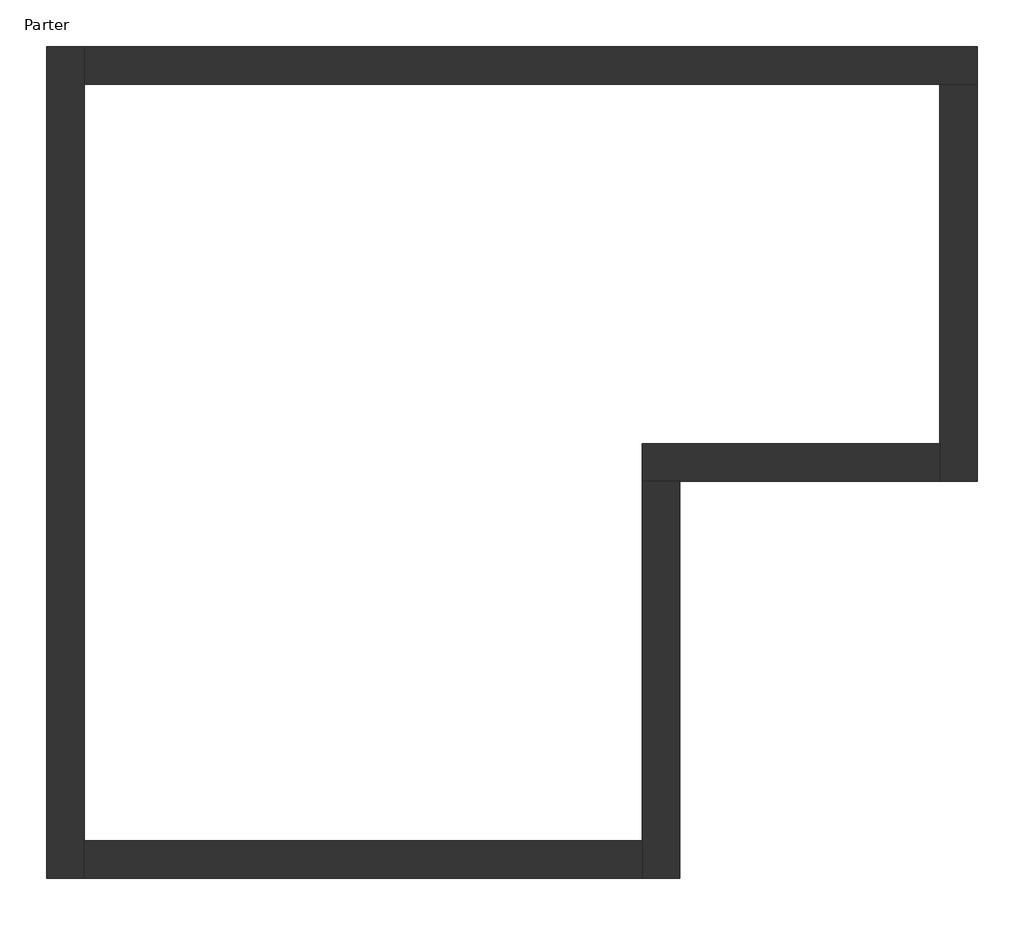
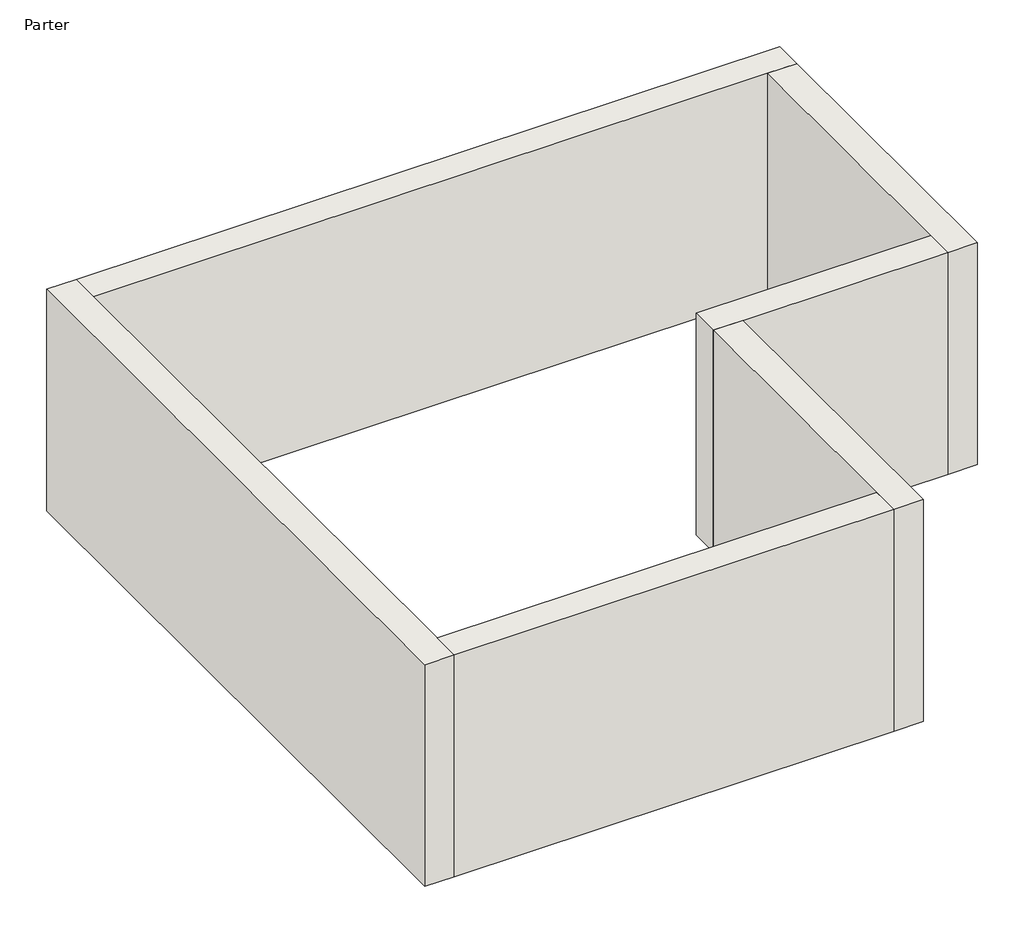
# One storey: 6 walls.
"""IFC4 building model written with IfcOpenShell, lengths in millimetres."""

from ifc_helpers import new_model, si_unit, origin, origin_with_axes, place, context, project, spatial, polyline, outline, extrude, faceted_brep, element, save

model = new_model("IFC4")

# Units and contexts
model_context = context("Model", 3, world=origin())
ifc_project = project(units=[si_unit("LENGTHUNIT", "METRE", prefix="MILLI")], contexts=[model_context])

# Site, building, storey
site = spatial("IfcSite", under=ifc_project)
building = spatial("IfcBuilding", under=site)
storey = spatial("IfcBuildingStorey", under=building, Name="Parter", Elevation=0.0)

# Walls
placement = place(None, origin())
element("IfcWall", 1, at=placement, inside=storey, context=model_context, shape_type="Brep", body=[
    faceted_brep([(-9713.620157, -836.0022635, 0.0), (-9713.620157, -457.0022635, 0.0), (-9713.620157, 7163.9977365, 0.0), (-9713.620157, 7542.9977365, 0.0), (-9713.620157, 7542.9977365, 3000.0), (-9713.620157, 7163.9977365, 3000.0), (-9713.620157, -457.0022635, 3000.0), (-9713.620157, -836.0022635, 3000.0), (-10092.620157, -836.0022635, 0.0), (-10092.620157, -836.0022635, 3000.0), (-10092.620157, 7542.9977365, 3000.0), (-10092.620157, 7542.9977365, 0.0)], [[[0, 1, 2, 3, 4, 5, 6, 7]], [[8, 9, 10, 11]], [[3, 2, 1, 0, 8, 11]], [[7, 6, 5, 4, 10, 9]], [[4, 3, 11, 10]], [[0, 7, 9, 8]]]),
])
element("IfcWall", 2, at=placement, inside=storey, context=model_context, shape_type="Brep", body=[
    faceted_brep([(-9713.620157, 7163.9977365, 0.0), (-1092.620157, 7163.9977365, 0.0), (-713.620157, 7163.9977365, 0.0), (-713.620157, 7163.9977365, 3000.0), (-1092.620157, 7163.9977365, 3000.0), (-9713.620157, 7163.9977365, 3000.0), (-9713.620157, 7542.9977365, 0.0), (-9713.620157, 7542.9977365, 3000.0), (-713.620157, 7542.9977365, 3000.0), (-713.620157, 7542.9977365, 0.0)], [[[0, 1, 2, 3, 4, 5]], [[6, 7, 8, 9]], [[2, 1, 0, 6, 9]], [[5, 4, 3, 8, 7]], [[0, 5, 7, 6]], [[3, 2, 9, 8]]]),
])
element("IfcWall", 3, at=placement, inside=storey, context=model_context, shape_type="Brep", body=[
    faceted_brep([(-1092.620157, 7163.9977365, 0.0), (-1092.620157, 3542.9977365, 0.0), (-1092.620157, 3163.9977365, 0.0), (-1092.620157, 3163.9977365, 3000.0), (-1092.620157, 3542.9977365, 3000.0), (-1092.620157, 7163.9977365, 3000.0), (-713.620157, 7163.9977365, 0.0), (-713.620157, 7163.9977365, 3000.0), (-713.620157, 3163.9977365, 3000.0), (-713.620157, 3163.9977365, 0.0)], [[[0, 1, 2, 3, 4, 5]], [[6, 7, 8, 9]], [[2, 1, 0, 6, 9]], [[5, 4, 3, 8, 7]], [[0, 5, 7, 6]], [[3, 2, 9, 8]]]),
])
element("IfcWall", 4, at=placement, inside=storey, context=model_context, shape_type="Brep", body=[
    faceted_brep([(-1092.620157, 3542.9977365, 0.0), (-4092.620157, 3542.9977365, 0.0), (-4092.620157, 3542.9977365, 3000.0), (-1092.620157, 3542.9977365, 3000.0), (-1092.620157, 3163.9977365, 0.0), (-1092.620157, 3163.9977365, 3000.0), (-3713.620157, 3163.9977365, 3000.0), (-4092.620157, 3163.9977365, 3000.0), (-4092.620157, 3163.9977365, 0.0), (-3713.620157, 3163.9977365, 0.0)], [[[0, 1, 2, 3]], [[4, 5, 6, 7, 8, 9]], [[1, 0, 4, 9, 8]], [[3, 2, 7, 6, 5]], [[0, 3, 5, 4]], [[2, 1, 8, 7]]]),
])
element("IfcWall", 5, at=placement, inside=storey, context=model_context, shape_type="Brep", body=[
    faceted_brep([(-4092.620157, 3163.9977365, 0.0), (-4092.620157, -457.0022635, 0.0), (-4092.620157, -836.0022635, 0.0), (-4092.620157, -836.0022635, 3000.0), (-4092.620157, -457.0022635, 3000.0), (-4092.620157, 3163.9977365, 3000.0), (-3713.620157, 3163.9977365, 0.0), (-3713.620157, 3163.9977365, 3000.0), (-3713.620157, -836.0022635, 3000.0), (-3713.620157, -836.0022635, 0.0)], [[[0, 1, 2, 3, 4, 5]], [[6, 7, 8, 9]], [[2, 1, 0, 6, 9]], [[5, 4, 3, 8, 7]], [[0, 5, 7, 6]], [[3, 2, 9, 8]]]),
])
element("IfcWall", 6, at=placement, inside=storey, context=model_context, shape_type="SweptSolid", body=[
    extrude(outline(polyline([(-9713.620157, -457.0022635), (-4092.620157, -457.0022635), (-4092.620157, -836.0022635), (-9713.620157, -836.0022635), (-9713.620157, -457.0022635)])), origin_with_axes(), (0.0, 0.0, 1.0), 3000.0),
])

save(model, "model.ifc")
